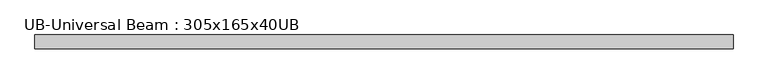
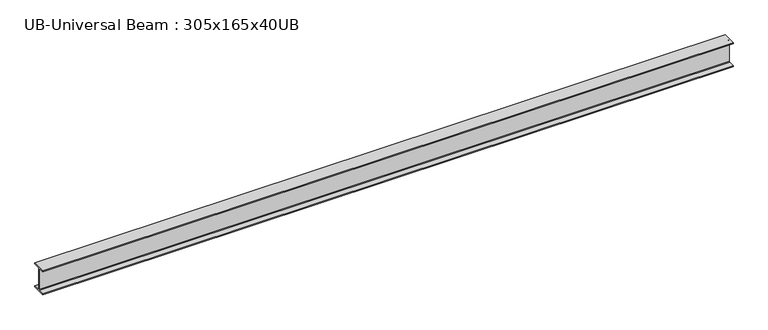
"""IFC4 building model written with IfcOpenShell, lengths in millimetres: beam geometry, UB-Universal Beam : 305x165x40UB."""

from ifc_helpers import new_model, si_unit, point, frame, frame_2d, origin, place, context, project, spatial, polyline, circle_curve, trimmed, segment, composite_curve, outline, extrude, source, transform, mapped, element, save


def ub_universal_beam_305x165x40ub_d7b5b4f2(model_context):
    return source(origin(), model_context, "Body", "SweptSolid", [
        extrude(outline(composite_curve([segment(polyline([(82.5, -141.5), (82.5, -151.7), (-82.5, -151.7), (-82.5, -141.5), (-11.9, -141.5)]), True, "CONTINUOUS"), segment(trimmed(circle_curve(frame_2d((-11.9, -132.6)), 8.9), [point((-11.9, -141.5))], [point((-3.0, -132.6))], True, "CARTESIAN"), True, "CONTINUOUS"), segment(polyline([(-3.0, -132.6), (-3.0, 132.6)]), True, "CONTINUOUS"), segment(trimmed(circle_curve(frame_2d((-11.9, 132.6)), 8.9), [point((-3.0, 132.6))], [point((-11.9, 141.5))], True, "CARTESIAN"), True, "CONTINUOUS"), segment(polyline([(-11.9, 141.5), (-82.5, 141.5), (-82.5, 151.7), (82.5, 151.7), (82.5, 141.5), (11.9, 141.5)]), True, "CONTINUOUS"), segment(trimmed(circle_curve(frame_2d((11.9, 132.6)), 8.9), [point((11.9, 141.5))], [point((3.0, 132.6))], True, "CARTESIAN"), True, "CONTINUOUS"), segment(polyline([(3.0, 132.6), (3.0, -132.6)]), True, "CONTINUOUS"), segment(trimmed(circle_curve(frame_2d((11.9, -132.6)), 8.9), [point((3.0, -132.6))], [point((11.9, -141.5))], True, "CARTESIAN"), True, "CONTINUOUS"), segment(polyline([(11.9, -141.5), (82.5, -141.5)]), True, "CONTINUOUS")], self_intersect=False)), frame((-4166.13969, 0.0, 0.0), z_axis=(1.0, 0.0, 0.0), x_axis=(0.0, 1.0, 0.0)), (0.0, 0.0, 1.0), 8324.7307672),
    ])


if __name__ == "__main__":
    model = new_model("IFC4")
    model_context = context("Model", 3, world=origin())
    ifc_project = project(units=[si_unit("LENGTHUNIT", "METRE", prefix="MILLI")], contexts=[model_context])
    site = spatial("IfcSite", under=ifc_project)
    building = spatial("IfcBuilding", under=site)
    placement = place(None, origin())
    ub_universal_beam_305x165x40ub_shape = ub_universal_beam_305x165x40ub_d7b5b4f2(model_context)
    element("IfcBeam", 1, ObjectType="UB-Universal Beam : 305x165x40UB", at=placement, inside=building, context=model_context, shape_type="MappedRepresentation", body=[
        mapped(ub_universal_beam_305x165x40ub_shape, transform((0.0, 0.0, 0.0), x_axis=(1.0, 0.0, 0.0), y_axis=(0.0, 1.0, 0.0), z_axis=(0.0, 0.0, 1.0))),
    ])
    save(model, "model.ifc")
